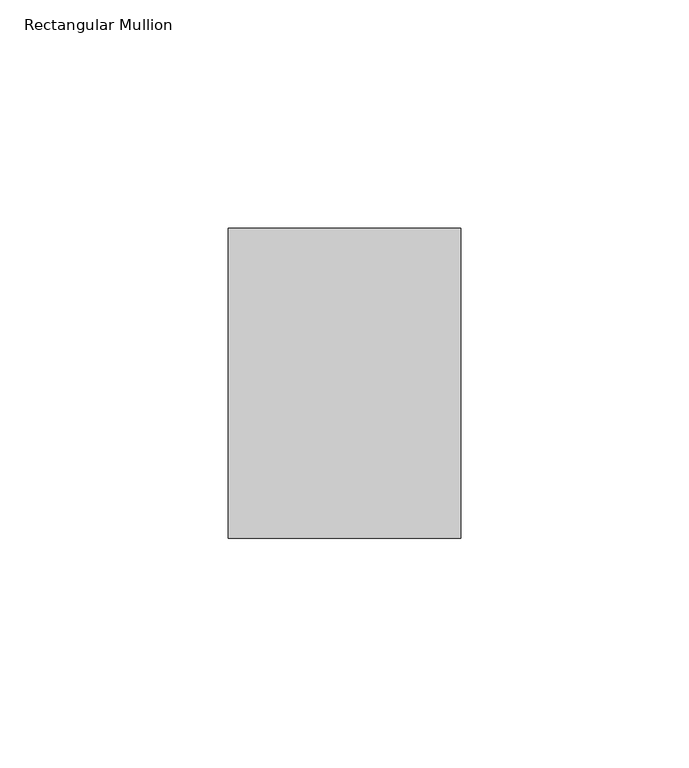
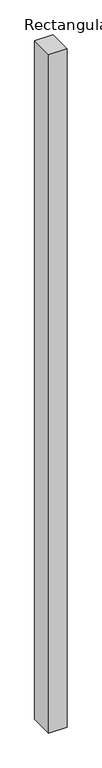
"""IFC4 building model written with IfcOpenShell, lengths in millimetres: member geometry, Rectangular Mullion."""

from ifc_helpers import new_model, si_unit, frame, origin, place, context, project, spatial, polyline, outline, extrude, source, transform, mapped, element, save


def rectangular_mullion_f3c663b5(model_context):
    return source(origin(), model_context, "Body", "SweptSolid", [
        extrude(outline(polyline([(0.0, 68.0), (0.0, 0.0), (-51.0, 0.0), (-51.0, 68.0), (0.0, 68.0)])), frame((0.0, 0.0, -1998.0), z_axis=(0.0, 0.0, 1.0), x_axis=(1.0, 0.0, 0.0)), (0.0, 0.0, 1.0), 1998.0),
    ])


if __name__ == "__main__":
    model = new_model("IFC4")
    model_context = context("Model", 3, world=origin())
    ifc_project = project(units=[si_unit("LENGTHUNIT", "METRE", prefix="MILLI")], contexts=[model_context])
    site = spatial("IfcSite", under=ifc_project)
    building = spatial("IfcBuilding", under=site)
    placement = place(None, origin())
    rectangular_mullion_shape = rectangular_mullion_f3c663b5(model_context)
    element("IfcMember", 1, ObjectType="Rectangular Mullion", at=placement, inside=building, context=model_context, shape_type="MappedRepresentation", body=[
        mapped(rectangular_mullion_shape, transform((0.0, 0.0, 0.0), x_axis=(1.0, 0.0, 0.0), y_axis=(0.0, 1.0, 0.0), z_axis=(0.0, 0.0, 1.0))),
    ])
    save(model, "model.ifc")
